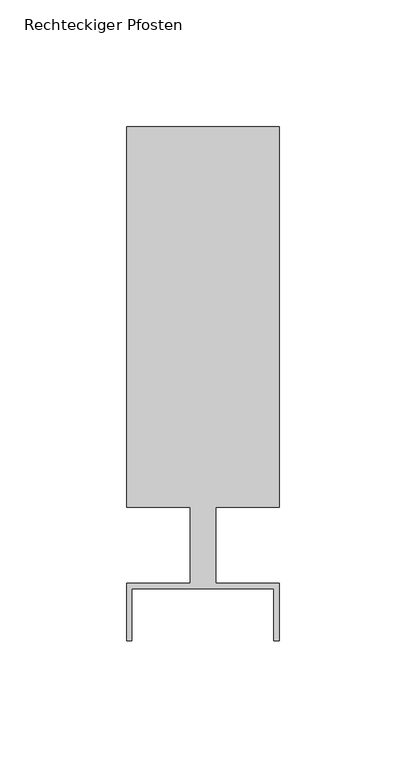
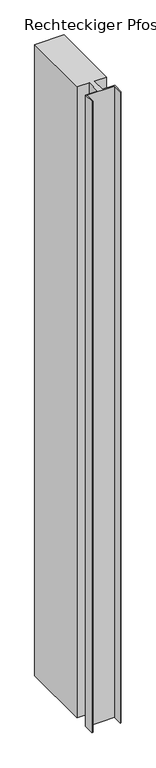
"""IFC4 building model written with IfcOpenShell, lengths in millimetres: member geometry, Rechteckiger Pfosten."""

from ifc_helpers import new_model, si_unit, frame, origin, place, context, project, spatial, polyline, outline, extrude, source, transform, mapped, element, save


def rechteckiger_pfosten_3eb79246(model_context):
    return source(origin(), model_context, "Body", "SweptSolid", [
        extrude(outline(polyline([(28.0, -37.5), (28.0, -17.0), (-28.0, -17.0), (-28.0, -37.5), (-30.0, -37.5), (-30.0, -15.0), (-5.0, -15.0), (-5.0, 15.0), (-30.0, 15.0), (-30.0, 165.0), (30.0, 165.0), (30.0, 15.0), (5.0, 15.0), (5.0, -15.0), (30.0, -15.0), (30.0, -37.5), (28.0, -37.5)])), frame((0.0, 0.0, -1364.6402382), z_axis=(0.0, 0.0, 1.0), x_axis=(1.0, 0.0, 0.0)), (0.0, 0.0, 1.0), 1364.6402382),
    ])


if __name__ == "__main__":
    model = new_model("IFC4")
    model_context = context("Model", 3, world=origin())
    ifc_project = project(units=[si_unit("LENGTHUNIT", "METRE", prefix="MILLI")], contexts=[model_context])
    site = spatial("IfcSite", under=ifc_project)
    building = spatial("IfcBuilding", under=site)
    placement = place(None, origin())
    rechteckiger_pfosten_shape = rechteckiger_pfosten_3eb79246(model_context)
    element("IfcMember", 1, ObjectType="Rechteckiger Pfosten", at=placement, inside=building, context=model_context, shape_type="MappedRepresentation", body=[
        mapped(rechteckiger_pfosten_shape, transform((0.0, 0.0, 0.0), x_axis=(1.0, 0.0, 0.0), y_axis=(0.0, 1.0, 0.0), z_axis=(0.0, 0.0, 1.0))),
    ])
    save(model, "model.ifc")
